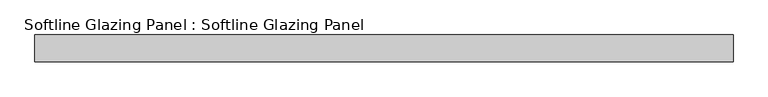
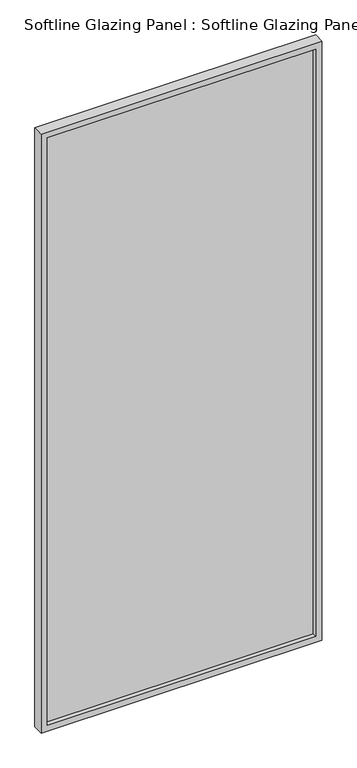
"""IFC4 building model written with IfcOpenShell, lengths in millimetres: plate geometry, Softline Glazing Panel : Softline Glazing Panel."""

from ifc_helpers import new_model, si_unit, frame, origin, place, context, project, spatial, polyline, outline, extrude, faceted_brep, source, transform, mapped, element, save


def softline_glazing_panel_softline_glazing_panel_11634df1(model_context):
    return source(origin(), model_context, "Body", "SolidModel", [
        extrude(outline(polyline([(570.0, 4.0), (570.0, -4.0), (-570.0, -4.0), (-570.0, 4.0), (570.0, 4.0)])), frame((0.0, 0.0, 16.0), z_axis=(0.0, 0.0, 1.0), x_axis=(1.0, 0.0, 0.0)), (0.0, 0.0, 1.0), 2612.0),
        faceted_brep([(560.0, 4.0, 26.0), (560.0, 22.5, 26.0), (-560.0, 22.5, 26.0), (-560.0, 4.0, 26.0), (570.0, -4.0, 16.0), (570.0, 4.0, 16.0), (-570.0, 4.0, 16.0), (-570.0, -4.0, 16.0), (560.0, -22.5, 26.0), (560.0, -4.0, 26.0), (-560.0, -4.0, 26.0), (-560.0, -22.5, 26.0), (586.0, 22.5, 0.0), (586.0, -22.5, 0.0), (-586.0, -22.5, 0.0), (-586.0, 22.5, 0.0), (-560.0, 22.5, 2618.0), (-560.0, 4.0, 2618.0), (-570.0, 4.0, 2628.0), (-570.0, -4.0, 2628.0), (-560.0, -4.0, 2618.0), (-560.0, -22.5, 2618.0), (-586.0, -22.5, 2644.0), (-586.0, 22.5, 2644.0), (560.0, 22.5, 2618.0), (560.0, 4.0, 2618.0), (570.0, 4.0, 2628.0), (570.0, -4.0, 2628.0), (560.0, -4.0, 2618.0), (560.0, -22.5, 2618.0), (586.0, -22.5, 2644.0), (586.0, 22.5, 2644.0)], [[[0, 1, 2, 3]], [[4, 5, 6, 7]], [[8, 9, 10, 11]], [[12, 13, 14, 15]], [[3, 2, 16, 17]], [[7, 6, 18, 19]], [[11, 10, 20, 21]], [[15, 14, 22, 23]], [[17, 16, 24, 25]], [[19, 18, 26, 27]], [[21, 20, 28, 29]], [[23, 22, 30, 31]], [[15, 23, 31, 12], [1, 24, 16, 2]], [[25, 24, 1, 0]], [[5, 26, 18, 6], [3, 17, 25, 0]], [[27, 26, 5, 4]], [[7, 19, 27, 4], [9, 28, 20, 10]], [[29, 28, 9, 8]], [[13, 30, 22, 14], [11, 21, 29, 8]], [[31, 30, 13, 12]]]),
    ])


if __name__ == "__main__":
    model = new_model("IFC4")
    model_context = context("Model", 3, world=origin())
    ifc_project = project(units=[si_unit("LENGTHUNIT", "METRE", prefix="MILLI")], contexts=[model_context])
    site = spatial("IfcSite", under=ifc_project)
    building = spatial("IfcBuilding", under=site)
    placement = place(None, origin())
    softline_glazing_panel_softline_glazing_panel_shape = softline_glazing_panel_softline_glazing_panel_11634df1(model_context)
    element("IfcPlate", 1, ObjectType="Softline Glazing Panel : Softline Glazing Panel", at=placement, inside=building, context=model_context, shape_type="MappedRepresentation", body=[
        mapped(softline_glazing_panel_softline_glazing_panel_shape, transform((0.0, 0.0, 0.0), x_axis=(1.0, 0.0, 0.0), y_axis=(0.0, 1.0, 0.0), z_axis=(0.0, 0.0, 1.0))),
    ])
    save(model, "model.ifc")
